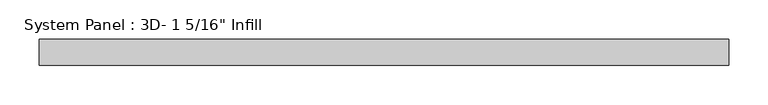
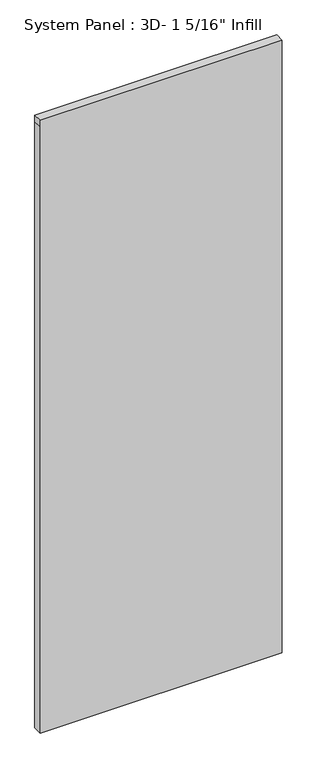
"""IFC4 building model written with IfcOpenShell, lengths in millimetres: plate geometry."""

from ifc_helpers import new_model, si_unit, frame, origin, place, context, project, spatial, polyline, outline, extrude, source, transform, mapped, element, save


def plate_abef8b97(model_context):
    return source(origin(), model_context, "Body", "SweptSolid", [
        extrude(outline(polyline([(0.0, -439.6913418), (0.0, 439.6913418), (2327.2701083, 439.6913418), (2352.6701083, 439.6913418), (2352.6701083, -439.6913418), (2327.2701083, -439.6913418), (0.0, -439.6913418)])), frame((0.0, -16.66875, 0.0), z_axis=(0.0, 1.0, 0.0), x_axis=(0.0, 0.0, 1.0)), (0.0, 0.0, 1.0), 33.3375),
    ])


if __name__ == "__main__":
    model = new_model("IFC4")
    model_context = context("Model", 3, world=origin())
    ifc_project = project(units=[si_unit("LENGTHUNIT", "METRE", prefix="MILLI")], contexts=[model_context])
    site = spatial("IfcSite", under=ifc_project)
    building = spatial("IfcBuilding", under=site)
    placement = place(None, origin())
    plate_shape = plate_abef8b97(model_context)
    element("IfcPlate", 1, ObjectType="System Panel : 3D- 1 5/16\" Infill", at=placement, inside=building, context=model_context, shape_type="MappedRepresentation", body=[
        mapped(plate_shape, transform((0.0, 0.0, 0.0), x_axis=(1.0, 0.0, 0.0), y_axis=(0.0, 1.0, 0.0), z_axis=(0.0, 0.0, 1.0))),
    ])
    save(model, "model.ifc")
